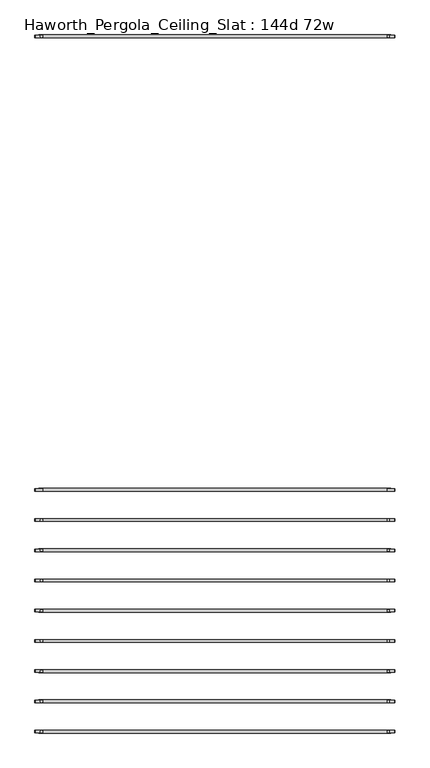
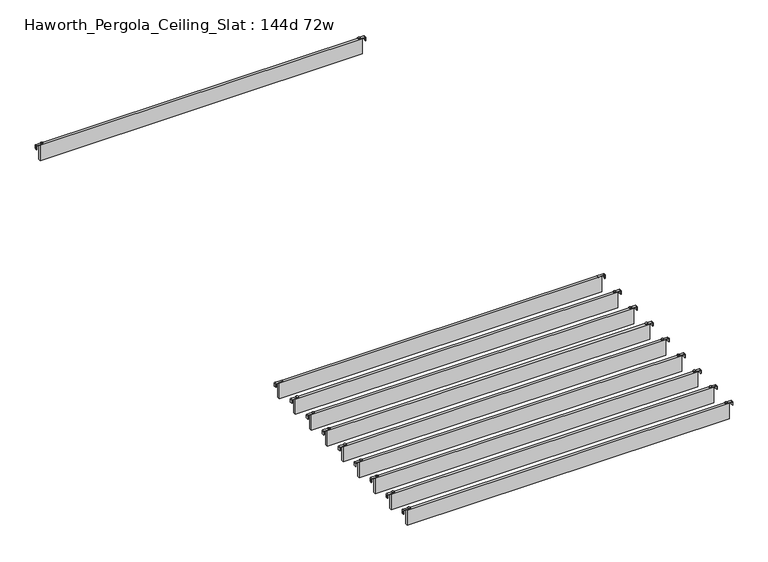
"""IFC4 building model written with IfcOpenShell, lengths in millimetres: furniture geometry, Haworth_Pergola_Ceiling_Slat : 144d 72w."""

from ifc_helpers import new_model, si_unit, point, frame, frame_2d, origin, place, context, project, spatial, polyline, circle_curve, trimmed, segment, composite_curve, outline, extrude, source, transform, mapped, element, save


def haworth_pergola_ceiling_slat_144d_72w_22c94c1e(model_context):
    return source(origin(), model_context, "Body", "SweptSolid", [
        extrude(outline(composite_curve([segment(polyline([(2419.2231711, 972.96), (2437.2499992, 972.96)]), True, "CONTINUOUS"), segment(trimmed(circle_curve(frame_2d((2437.2499992, 969.277)), 3.683), [point((2437.2499992, 972.96))], [point((2440.9329992, 969.277))], False, "CARTESIAN"), True, "CONTINUOUS"), segment(polyline([(2440.9329992, 969.277), (2440.9329992, 932.3), (2438.2729997, 932.3), (2438.2729997, 969.2905568)]), True, "CONTINUOUS"), segment(trimmed(circle_curve(frame_2d((2437.2635571, 969.2905568)), 1.0094425), [point((2438.2729997, 969.2905568))], [point((2437.2635571, 970.2999993))], True, "CARTESIAN"), True, "CONTINUOUS"), segment(polyline([(2437.2635571, 970.2999993), (2419.2231711, 970.2999993), (2419.2231711, 972.96)]), True, "CONTINUOUS")], self_intersect=False)), frame((0.0, -1894.0608699, 0.0), z_axis=(0.0, 1.0, 0.0), x_axis=(0.0, 0.0, 1.0)), (0.0, 0.0, 1.0), 13.0),
        extrude(outline(composite_curve([segment(polyline([(2419.2231711, -896.76), (2419.2231711, -894.0999993), (2437.2635571, -894.0999993)]), True, "CONTINUOUS"), segment(trimmed(circle_curve(frame_2d((2437.2635571, -893.0905568)), 1.0094425), [point((2437.2635571, -894.0999993))], [point((2438.2729997, -893.0905568))], True, "CARTESIAN"), True, "CONTINUOUS"), segment(polyline([(2438.2729997, -893.0905568), (2438.2729997, -856.1), (2440.9329992, -856.1), (2440.9329992, -893.077)]), True, "CONTINUOUS"), segment(trimmed(circle_curve(frame_2d((2437.2499992, -893.077)), 3.683), [point((2440.9329992, -893.077))], [point((2437.2499992, -896.76))], False, "CARTESIAN"), True, "CONTINUOUS"), segment(polyline([(2437.2499992, -896.76), (2419.2231711, -896.76)]), True, "CONTINUOUS")], self_intersect=False)), frame((0.0, -1894.0608699, 0.0), z_axis=(0.0, 1.0, 0.0), x_axis=(0.0, 0.0, 1.0)), (0.0, 0.0, 1.0), 13.0),
        extrude(outline(polyline([(-876.3, -1895.0608696), (-876.3, -1880.0748696), (952.5, -1880.0748696), (952.5, -1895.0608696), (-876.3, -1895.0608696)])), frame((0.0, 0.0, 2346.198), z_axis=(0.0, 0.0, 1.0), x_axis=(1.0, 0.0, 0.0)), (0.0, 0.0, 1.0), 92.202),
        extrude(outline(composite_curve([segment(trimmed(circle_curve(frame_2d((938.8, -2044.3852609)), 5.9838099), [point((932.8161901, -2044.3852609))], [point((944.7838099, -2044.3852609))], False, "CARTESIAN"), True, "CONTINUOUS"), segment(trimmed(circle_curve(frame_2d((938.8, -2044.3852609)), 5.9838099), [point((944.7838099, -2044.3852609))], [point((932.8161901, -2044.3852609))], False, "CARTESIAN"), True, "CONTINUOUS")], self_intersect=False)), frame((0.0, 0.0, 2440.9329992), z_axis=(0.0, 0.0, 1.0), x_axis=(1.0, 0.0, 0.0)), (0.0, 0.0, 1.0), 3.4400008),
        extrude(outline(composite_curve([segment(trimmed(circle_curve(frame_2d((-862.6, -2044.3852609)), 5.9838099), [point((-856.6161901, -2044.3852609))], [point((-868.5838099, -2044.3852609))], False, "CARTESIAN"), True, "CONTINUOUS"), segment(trimmed(circle_curve(frame_2d((-862.6, -2044.3852609)), 5.9838099), [point((-868.5838099, -2044.3852609))], [point((-856.6161901, -2044.3852609))], False, "CARTESIAN"), True, "CONTINUOUS")], self_intersect=False)), frame((0.0, 0.0, 2440.9329992), z_axis=(0.0, 0.0, 1.0), x_axis=(1.0, 0.0, 0.0)), (0.0, 0.0, 1.0), 3.4400008),
        extrude(outline(composite_curve([segment(polyline([(2419.2231711, 972.96), (2437.2499992, 972.96)]), True, "CONTINUOUS"), segment(trimmed(circle_curve(frame_2d((2437.2499992, 969.277)), 3.683), [point((2437.2499992, 972.96))], [point((2440.9329992, 969.277))], False, "CARTESIAN"), True, "CONTINUOUS"), segment(polyline([(2440.9329992, 969.277), (2440.9329992, 932.3), (2438.2729997, 932.3), (2438.2729997, 969.2905568)]), True, "CONTINUOUS"), segment(trimmed(circle_curve(frame_2d((2437.2635571, 969.2905568)), 1.0094425), [point((2438.2729997, 969.2905568))], [point((2437.2635571, 970.2999993))], True, "CARTESIAN"), True, "CONTINUOUS"), segment(polyline([(2437.2635571, 970.2999993), (2419.2231711, 970.2999993), (2419.2231711, 972.96)]), True, "CONTINUOUS")], self_intersect=False)), frame((0.0, -2050.8782612, 0.0), z_axis=(0.0, 1.0, 0.0), x_axis=(0.0, 0.0, 1.0)), (0.0, 0.0, 1.0), 13.0),
        extrude(outline(composite_curve([segment(polyline([(2419.2231711, -896.76), (2419.2231711, -894.0999993), (2437.2635571, -894.0999993)]), True, "CONTINUOUS"), segment(trimmed(circle_curve(frame_2d((2437.2635571, -893.0905568)), 1.0094425), [point((2437.2635571, -894.0999993))], [point((2438.2729997, -893.0905568))], True, "CARTESIAN"), True, "CONTINUOUS"), segment(polyline([(2438.2729997, -893.0905568), (2438.2729997, -856.1), (2440.9329992, -856.1), (2440.9329992, -893.077)]), True, "CONTINUOUS"), segment(trimmed(circle_curve(frame_2d((2437.2499992, -893.077)), 3.683), [point((2440.9329992, -893.077))], [point((2437.2499992, -896.76))], False, "CARTESIAN"), True, "CONTINUOUS"), segment(polyline([(2437.2499992, -896.76), (2419.2231711, -896.76)]), True, "CONTINUOUS")], self_intersect=False)), frame((0.0, -2050.8782612, 0.0), z_axis=(0.0, 1.0, 0.0), x_axis=(0.0, 0.0, 1.0)), (0.0, 0.0, 1.0), 13.0),
        extrude(outline(polyline([(-876.3, -2051.8782609), (-876.3, -2036.8922609), (952.5, -2036.8922609), (952.5, -2051.8782609), (-876.3, -2051.8782609)])), frame((0.0, 0.0, 2346.198), z_axis=(0.0, 0.0, 1.0), x_axis=(1.0, 0.0, 0.0)), (0.0, 0.0, 1.0), 92.202),
        extrude(outline(composite_curve([segment(trimmed(circle_curve(frame_2d((938.8, -2201.2026522)), 5.9838099), [point((932.8161901, -2201.2026522))], [point((944.7838099, -2201.2026522))], False, "CARTESIAN"), True, "CONTINUOUS"), segment(trimmed(circle_curve(frame_2d((938.8, -2201.2026522)), 5.9838099), [point((944.7838099, -2201.2026522))], [point((932.8161901, -2201.2026522))], False, "CARTESIAN"), True, "CONTINUOUS")], self_intersect=False)), frame((0.0, 0.0, 2440.9329992), z_axis=(0.0, 0.0, 1.0), x_axis=(1.0, 0.0, 0.0)), (0.0, 0.0, 1.0), 3.4400008),
        extrude(outline(composite_curve([segment(trimmed(circle_curve(frame_2d((-862.6, -2201.2026522)), 5.9838099), [point((-856.6161901, -2201.2026522))], [point((-868.5838099, -2201.2026522))], False, "CARTESIAN"), True, "CONTINUOUS"), segment(trimmed(circle_curve(frame_2d((-862.6, -2201.2026522)), 5.9838099), [point((-868.5838099, -2201.2026522))], [point((-856.6161901, -2201.2026522))], False, "CARTESIAN"), True, "CONTINUOUS")], self_intersect=False)), frame((0.0, 0.0, 2440.9329992), z_axis=(0.0, 0.0, 1.0), x_axis=(1.0, 0.0, 0.0)), (0.0, 0.0, 1.0), 3.4400008),
        extrude(outline(composite_curve([segment(polyline([(2419.2231711, 972.96), (2437.2499992, 972.96)]), True, "CONTINUOUS"), segment(trimmed(circle_curve(frame_2d((2437.2499992, 969.277)), 3.683), [point((2437.2499992, 972.96))], [point((2440.9329992, 969.277))], False, "CARTESIAN"), True, "CONTINUOUS"), segment(polyline([(2440.9329992, 969.277), (2440.9329992, 932.3), (2438.2729997, 932.3), (2438.2729997, 969.2905568)]), True, "CONTINUOUS"), segment(trimmed(circle_curve(frame_2d((2437.2635571, 969.2905568)), 1.0094425), [point((2438.2729997, 969.2905568))], [point((2437.2635571, 970.2999993))], True, "CARTESIAN"), True, "CONTINUOUS"), segment(polyline([(2437.2635571, 970.2999993), (2419.2231711, 970.2999993), (2419.2231711, 972.96)]), True, "CONTINUOUS")], self_intersect=False)), frame((0.0, -2207.6956525, 0.0), z_axis=(0.0, 1.0, 0.0), x_axis=(0.0, 0.0, 1.0)), (0.0, 0.0, 1.0), 13.0),
        extrude(outline(composite_curve([segment(polyline([(2419.2231711, -896.76), (2419.2231711, -894.0999993), (2437.2635571, -894.0999993)]), True, "CONTINUOUS"), segment(trimmed(circle_curve(frame_2d((2437.2635571, -893.0905568)), 1.0094425), [point((2437.2635571, -894.0999993))], [point((2438.2729997, -893.0905568))], True, "CARTESIAN"), True, "CONTINUOUS"), segment(polyline([(2438.2729997, -893.0905568), (2438.2729997, -856.1), (2440.9329992, -856.1), (2440.9329992, -893.077)]), True, "CONTINUOUS"), segment(trimmed(circle_curve(frame_2d((2437.2499992, -893.077)), 3.683), [point((2440.9329992, -893.077))], [point((2437.2499992, -896.76))], False, "CARTESIAN"), True, "CONTINUOUS"), segment(polyline([(2437.2499992, -896.76), (2419.2231711, -896.76)]), True, "CONTINUOUS")], self_intersect=False)), frame((0.0, -2207.6956525, 0.0), z_axis=(0.0, 1.0, 0.0), x_axis=(0.0, 0.0, 1.0)), (0.0, 0.0, 1.0), 13.0),
        extrude(outline(polyline([(-876.3, -2208.6956522), (-876.3, -2193.7096522), (952.5, -2193.7096522), (952.5, -2208.6956522), (-876.3, -2208.6956522)])), frame((0.0, 0.0, 2346.198), z_axis=(0.0, 0.0, 1.0), x_axis=(1.0, 0.0, 0.0)), (0.0, 0.0, 1.0), 92.202),
        extrude(outline(composite_curve([segment(trimmed(circle_curve(frame_2d((938.8, -2358.0200435)), 5.9838099), [point((932.8161901, -2358.0200435))], [point((944.7838099, -2358.0200435))], False, "CARTESIAN"), True, "CONTINUOUS"), segment(trimmed(circle_curve(frame_2d((938.8, -2358.0200435)), 5.9838099), [point((944.7838099, -2358.0200435))], [point((932.8161901, -2358.0200435))], False, "CARTESIAN"), True, "CONTINUOUS")], self_intersect=False)), frame((0.0, 0.0, 2440.9329992), z_axis=(0.0, 0.0, 1.0), x_axis=(1.0, 0.0, 0.0)), (0.0, 0.0, 1.0), 3.4400008),
        extrude(outline(composite_curve([segment(trimmed(circle_curve(frame_2d((-862.6, -2358.0200435)), 5.9838099), [point((-856.6161901, -2358.0200435))], [point((-868.5838099, -2358.0200435))], False, "CARTESIAN"), True, "CONTINUOUS"), segment(trimmed(circle_curve(frame_2d((-862.6, -2358.0200435)), 5.9838099), [point((-868.5838099, -2358.0200435))], [point((-856.6161901, -2358.0200435))], False, "CARTESIAN"), True, "CONTINUOUS")], self_intersect=False)), frame((0.0, 0.0, 2440.9329992), z_axis=(0.0, 0.0, 1.0), x_axis=(1.0, 0.0, 0.0)), (0.0, 0.0, 1.0), 3.4400008),
        extrude(outline(composite_curve([segment(polyline([(2419.2231711, 972.96), (2437.2499992, 972.96)]), True, "CONTINUOUS"), segment(trimmed(circle_curve(frame_2d((2437.2499992, 969.277)), 3.683), [point((2437.2499992, 972.96))], [point((2440.9329992, 969.277))], False, "CARTESIAN"), True, "CONTINUOUS"), segment(polyline([(2440.9329992, 969.277), (2440.9329992, 932.3), (2438.2729997, 932.3), (2438.2729997, 969.2905568)]), True, "CONTINUOUS"), segment(trimmed(circle_curve(frame_2d((2437.2635571, 969.2905568)), 1.0094425), [point((2438.2729997, 969.2905568))], [point((2437.2635571, 970.2999993))], True, "CARTESIAN"), True, "CONTINUOUS"), segment(polyline([(2437.2635571, 970.2999993), (2419.2231711, 970.2999993), (2419.2231711, 972.96)]), True, "CONTINUOUS")], self_intersect=False)), frame((0.0, -2364.5130438, 0.0), z_axis=(0.0, 1.0, 0.0), x_axis=(0.0, 0.0, 1.0)), (0.0, 0.0, 1.0), 13.0),
        extrude(outline(composite_curve([segment(polyline([(2419.2231711, -896.76), (2419.2231711, -894.0999993), (2437.2635571, -894.0999993)]), True, "CONTINUOUS"), segment(trimmed(circle_curve(frame_2d((2437.2635571, -893.0905568)), 1.0094425), [point((2437.2635571, -894.0999993))], [point((2438.2729997, -893.0905568))], True, "CARTESIAN"), True, "CONTINUOUS"), segment(polyline([(2438.2729997, -893.0905568), (2438.2729997, -856.1), (2440.9329992, -856.1), (2440.9329992, -893.077)]), True, "CONTINUOUS"), segment(trimmed(circle_curve(frame_2d((2437.2499992, -893.077)), 3.683), [point((2440.9329992, -893.077))], [point((2437.2499992, -896.76))], False, "CARTESIAN"), True, "CONTINUOUS"), segment(polyline([(2437.2499992, -896.76), (2419.2231711, -896.76)]), True, "CONTINUOUS")], self_intersect=False)), frame((0.0, -2364.5130438, 0.0), z_axis=(0.0, 1.0, 0.0), x_axis=(0.0, 0.0, 1.0)), (0.0, 0.0, 1.0), 13.0),
        extrude(outline(polyline([(-876.3, -2365.5130435), (-876.3, -2350.5270435), (952.5, -2350.5270435), (952.5, -2365.5130435), (-876.3, -2365.5130435)])), frame((0.0, 0.0, 2346.198), z_axis=(0.0, 0.0, 1.0), x_axis=(1.0, 0.0, 0.0)), (0.0, 0.0, 1.0), 92.202),
        extrude(outline(composite_curve([segment(trimmed(circle_curve(frame_2d((938.8, -2514.8374348)), 5.9838099), [point((932.8161901, -2514.8374348))], [point((944.7838099, -2514.8374348))], False, "CARTESIAN"), True, "CONTINUOUS"), segment(trimmed(circle_curve(frame_2d((938.8, -2514.8374348)), 5.9838099), [point((944.7838099, -2514.8374348))], [point((932.8161901, -2514.8374348))], False, "CARTESIAN"), True, "CONTINUOUS")], self_intersect=False)), frame((0.0, 0.0, 2440.9329992), z_axis=(0.0, 0.0, 1.0), x_axis=(1.0, 0.0, 0.0)), (0.0, 0.0, 1.0), 3.4400008),
        extrude(outline(composite_curve([segment(trimmed(circle_curve(frame_2d((-862.6, -2514.8374348)), 5.9838099), [point((-856.6161901, -2514.8374348))], [point((-868.5838099, -2514.8374348))], False, "CARTESIAN"), True, "CONTINUOUS"), segment(trimmed(circle_curve(frame_2d((-862.6, -2514.8374348)), 5.9838099), [point((-868.5838099, -2514.8374348))], [point((-856.6161901, -2514.8374348))], False, "CARTESIAN"), True, "CONTINUOUS")], self_intersect=False)), frame((0.0, 0.0, 2440.9329992), z_axis=(0.0, 0.0, 1.0), x_axis=(1.0, 0.0, 0.0)), (0.0, 0.0, 1.0), 3.4400008),
        extrude(outline(composite_curve([segment(polyline([(2419.2231711, 972.96), (2437.2499992, 972.96)]), True, "CONTINUOUS"), segment(trimmed(circle_curve(frame_2d((2437.2499992, 969.277)), 3.683), [point((2437.2499992, 972.96))], [point((2440.9329992, 969.277))], False, "CARTESIAN"), True, "CONTINUOUS"), segment(polyline([(2440.9329992, 969.277), (2440.9329992, 932.3), (2438.2729997, 932.3), (2438.2729997, 969.2905568)]), True, "CONTINUOUS"), segment(trimmed(circle_curve(frame_2d((2437.2635571, 969.2905568)), 1.0094425), [point((2438.2729997, 969.2905568))], [point((2437.2635571, 970.2999993))], True, "CARTESIAN"), True, "CONTINUOUS"), segment(polyline([(2437.2635571, 970.2999993), (2419.2231711, 970.2999993), (2419.2231711, 972.96)]), True, "CONTINUOUS")], self_intersect=False)), frame((0.0, -2521.3304351, 0.0), z_axis=(0.0, 1.0, 0.0), x_axis=(0.0, 0.0, 1.0)), (0.0, 0.0, 1.0), 13.0),
        extrude(outline(composite_curve([segment(polyline([(2419.2231711, -896.76), (2419.2231711, -894.0999993), (2437.2635571, -894.0999993)]), True, "CONTINUOUS"), segment(trimmed(circle_curve(frame_2d((2437.2635571, -893.0905568)), 1.0094425), [point((2437.2635571, -894.0999993))], [point((2438.2729997, -893.0905568))], True, "CARTESIAN"), True, "CONTINUOUS"), segment(polyline([(2438.2729997, -893.0905568), (2438.2729997, -856.1), (2440.9329992, -856.1), (2440.9329992, -893.077)]), True, "CONTINUOUS"), segment(trimmed(circle_curve(frame_2d((2437.2499992, -893.077)), 3.683), [point((2440.9329992, -893.077))], [point((2437.2499992, -896.76))], False, "CARTESIAN"), True, "CONTINUOUS"), segment(polyline([(2437.2499992, -896.76), (2419.2231711, -896.76)]), True, "CONTINUOUS")], self_intersect=False)), frame((0.0, -2521.3304351, 0.0), z_axis=(0.0, 1.0, 0.0), x_axis=(0.0, 0.0, 1.0)), (0.0, 0.0, 1.0), 13.0),
        extrude(outline(polyline([(-876.3, -2522.3304348), (-876.3, -2507.3444348), (952.5, -2507.3444348), (952.5, -2522.3304348), (-876.3, -2522.3304348)])), frame((0.0, 0.0, 2346.198), z_axis=(0.0, 0.0, 1.0), x_axis=(1.0, 0.0, 0.0)), (0.0, 0.0, 1.0), 92.202),
        extrude(outline(composite_curve([segment(trimmed(circle_curve(frame_2d((938.8, -2671.6548261)), 5.9838099), [point((932.8161901, -2671.6548261))], [point((944.7838099, -2671.6548261))], False, "CARTESIAN"), True, "CONTINUOUS"), segment(trimmed(circle_curve(frame_2d((938.8, -2671.6548261)), 5.9838099), [point((944.7838099, -2671.6548261))], [point((932.8161901, -2671.6548261))], False, "CARTESIAN"), True, "CONTINUOUS")], self_intersect=False)), frame((0.0, 0.0, 2440.9329992), z_axis=(0.0, 0.0, 1.0), x_axis=(1.0, 0.0, 0.0)), (0.0, 0.0, 1.0), 3.4400008),
        extrude(outline(composite_curve([segment(trimmed(circle_curve(frame_2d((-862.6, -2671.6548261)), 5.9838099), [point((-856.6161901, -2671.6548261))], [point((-868.5838099, -2671.6548261))], False, "CARTESIAN"), True, "CONTINUOUS"), segment(trimmed(circle_curve(frame_2d((-862.6, -2671.6548261)), 5.9838099), [point((-868.5838099, -2671.6548261))], [point((-856.6161901, -2671.6548261))], False, "CARTESIAN"), True, "CONTINUOUS")], self_intersect=False)), frame((0.0, 0.0, 2440.9329992), z_axis=(0.0, 0.0, 1.0), x_axis=(1.0, 0.0, 0.0)), (0.0, 0.0, 1.0), 3.4400008),
        extrude(outline(composite_curve([segment(polyline([(2419.2231711, 972.96), (2437.2499992, 972.96)]), True, "CONTINUOUS"), segment(trimmed(circle_curve(frame_2d((2437.2499992, 969.277)), 3.683), [point((2437.2499992, 972.96))], [point((2440.9329992, 969.277))], False, "CARTESIAN"), True, "CONTINUOUS"), segment(polyline([(2440.9329992, 969.277), (2440.9329992, 932.3), (2438.2729997, 932.3), (2438.2729997, 969.2905568)]), True, "CONTINUOUS"), segment(trimmed(circle_curve(frame_2d((2437.2635571, 969.2905568)), 1.0094425), [point((2438.2729997, 969.2905568))], [point((2437.2635571, 970.2999993))], True, "CARTESIAN"), True, "CONTINUOUS"), segment(polyline([(2437.2635571, 970.2999993), (2419.2231711, 970.2999993), (2419.2231711, 972.96)]), True, "CONTINUOUS")], self_intersect=False)), frame((0.0, -2678.1478264, 0.0), z_axis=(0.0, 1.0, 0.0), x_axis=(0.0, 0.0, 1.0)), (0.0, 0.0, 1.0), 13.0),
        extrude(outline(composite_curve([segment(polyline([(2419.2231711, -896.76), (2419.2231711, -894.0999993), (2437.2635571, -894.0999993)]), True, "CONTINUOUS"), segment(trimmed(circle_curve(frame_2d((2437.2635571, -893.0905568)), 1.0094425), [point((2437.2635571, -894.0999993))], [point((2438.2729997, -893.0905568))], True, "CARTESIAN"), True, "CONTINUOUS"), segment(polyline([(2438.2729997, -893.0905568), (2438.2729997, -856.1), (2440.9329992, -856.1), (2440.9329992, -893.077)]), True, "CONTINUOUS"), segment(trimmed(circle_curve(frame_2d((2437.2499992, -893.077)), 3.683), [point((2440.9329992, -893.077))], [point((2437.2499992, -896.76))], False, "CARTESIAN"), True, "CONTINUOUS"), segment(polyline([(2437.2499992, -896.76), (2419.2231711, -896.76)]), True, "CONTINUOUS")], self_intersect=False)), frame((0.0, -2678.1478264, 0.0), z_axis=(0.0, 1.0, 0.0), x_axis=(0.0, 0.0, 1.0)), (0.0, 0.0, 1.0), 13.0),
        extrude(outline(polyline([(-876.3, -2679.1478261), (-876.3, -2664.1618261), (952.5, -2664.1618261), (952.5, -2679.1478261), (-876.3, -2679.1478261)])), frame((0.0, 0.0, 2346.198), z_axis=(0.0, 0.0, 1.0), x_axis=(1.0, 0.0, 0.0)), (0.0, 0.0, 1.0), 92.202),
        extrude(outline(composite_curve([segment(trimmed(circle_curve(frame_2d((938.8, -2828.4722174)), 5.9838099), [point((932.8161901, -2828.4722174))], [point((944.7838099, -2828.4722174))], False, "CARTESIAN"), True, "CONTINUOUS"), segment(trimmed(circle_curve(frame_2d((938.8, -2828.4722174)), 5.9838099), [point((944.7838099, -2828.4722174))], [point((932.8161901, -2828.4722174))], False, "CARTESIAN"), True, "CONTINUOUS")], self_intersect=False)), frame((0.0, 0.0, 2440.9329992), z_axis=(0.0, 0.0, 1.0), x_axis=(1.0, 0.0, 0.0)), (0.0, 0.0, 1.0), 3.4400008),
        extrude(outline(composite_curve([segment(trimmed(circle_curve(frame_2d((-862.6, -2828.4722174)), 5.9838099), [point((-856.6161901, -2828.4722174))], [point((-868.5838099, -2828.4722174))], False, "CARTESIAN"), True, "CONTINUOUS"), segment(trimmed(circle_curve(frame_2d((-862.6, -2828.4722174)), 5.9838099), [point((-868.5838099, -2828.4722174))], [point((-856.6161901, -2828.4722174))], False, "CARTESIAN"), True, "CONTINUOUS")], self_intersect=False)), frame((0.0, 0.0, 2440.9329992), z_axis=(0.0, 0.0, 1.0), x_axis=(1.0, 0.0, 0.0)), (0.0, 0.0, 1.0), 3.4400008),
        extrude(outline(composite_curve([segment(polyline([(2419.2231711, 972.96), (2437.2499992, 972.96)]), True, "CONTINUOUS"), segment(trimmed(circle_curve(frame_2d((2437.2499992, 969.277)), 3.683), [point((2437.2499992, 972.96))], [point((2440.9329992, 969.277))], False, "CARTESIAN"), True, "CONTINUOUS"), segment(polyline([(2440.9329992, 969.277), (2440.9329992, 932.3), (2438.2729997, 932.3), (2438.2729997, 969.2905568)]), True, "CONTINUOUS"), segment(trimmed(circle_curve(frame_2d((2437.2635571, 969.2905568)), 1.0094425), [point((2438.2729997, 969.2905568))], [point((2437.2635571, 970.2999993))], True, "CARTESIAN"), True, "CONTINUOUS"), segment(polyline([(2437.2635571, 970.2999993), (2419.2231711, 970.2999993), (2419.2231711, 972.96)]), True, "CONTINUOUS")], self_intersect=False)), frame((0.0, -2834.9652177, 0.0), z_axis=(0.0, 1.0, 0.0), x_axis=(0.0, 0.0, 1.0)), (0.0, 0.0, 1.0), 13.0),
        extrude(outline(composite_curve([segment(polyline([(2419.2231711, -896.76), (2419.2231711, -894.0999993), (2437.2635571, -894.0999993)]), True, "CONTINUOUS"), segment(trimmed(circle_curve(frame_2d((2437.2635571, -893.0905568)), 1.0094425), [point((2437.2635571, -894.0999993))], [point((2438.2729997, -893.0905568))], True, "CARTESIAN"), True, "CONTINUOUS"), segment(polyline([(2438.2729997, -893.0905568), (2438.2729997, -856.1), (2440.9329992, -856.1), (2440.9329992, -893.077)]), True, "CONTINUOUS"), segment(trimmed(circle_curve(frame_2d((2437.2499992, -893.077)), 3.683), [point((2440.9329992, -893.077))], [point((2437.2499992, -896.76))], False, "CARTESIAN"), True, "CONTINUOUS"), segment(polyline([(2437.2499992, -896.76), (2419.2231711, -896.76)]), True, "CONTINUOUS")], self_intersect=False)), frame((0.0, -2834.9652177, 0.0), z_axis=(0.0, 1.0, 0.0), x_axis=(0.0, 0.0, 1.0)), (0.0, 0.0, 1.0), 13.0),
        extrude(outline(polyline([(-876.3, -2835.9652174), (-876.3, -2820.9792174), (952.5, -2820.9792174), (952.5, -2835.9652174), (-876.3, -2835.9652174)])), frame((0.0, 0.0, 2346.198), z_axis=(0.0, 0.0, 1.0), x_axis=(1.0, 0.0, 0.0)), (0.0, 0.0, 1.0), 92.202),
        extrude(outline(composite_curve([segment(trimmed(circle_curve(frame_2d((938.8, -2985.2896087)), 5.9838099), [point((932.8161901, -2985.2896087))], [point((944.7838099, -2985.2896087))], False, "CARTESIAN"), True, "CONTINUOUS"), segment(trimmed(circle_curve(frame_2d((938.8, -2985.2896087)), 5.9838099), [point((944.7838099, -2985.2896087))], [point((932.8161901, -2985.2896087))], False, "CARTESIAN"), True, "CONTINUOUS")], self_intersect=False)), frame((0.0, 0.0, 2440.9329992), z_axis=(0.0, 0.0, 1.0), x_axis=(1.0, 0.0, 0.0)), (0.0, 0.0, 1.0), 3.4400008),
        extrude(outline(composite_curve([segment(trimmed(circle_curve(frame_2d((-862.6, -2985.2896087)), 5.9838099), [point((-856.6161901, -2985.2896087))], [point((-868.5838099, -2985.2896087))], False, "CARTESIAN"), True, "CONTINUOUS"), segment(trimmed(circle_curve(frame_2d((-862.6, -2985.2896087)), 5.9838099), [point((-868.5838099, -2985.2896087))], [point((-856.6161901, -2985.2896087))], False, "CARTESIAN"), True, "CONTINUOUS")], self_intersect=False)), frame((0.0, 0.0, 2440.9329992), z_axis=(0.0, 0.0, 1.0), x_axis=(1.0, 0.0, 0.0)), (0.0, 0.0, 1.0), 3.4400008),
        extrude(outline(composite_curve([segment(polyline([(2419.2231711, 972.96), (2437.2499992, 972.96)]), True, "CONTINUOUS"), segment(trimmed(circle_curve(frame_2d((2437.2499992, 969.277)), 3.683), [point((2437.2499992, 972.96))], [point((2440.9329992, 969.277))], False, "CARTESIAN"), True, "CONTINUOUS"), segment(polyline([(2440.9329992, 969.277), (2440.9329992, 932.3), (2438.2729997, 932.3), (2438.2729997, 969.2905568)]), True, "CONTINUOUS"), segment(trimmed(circle_curve(frame_2d((2437.2635571, 969.2905568)), 1.0094425), [point((2438.2729997, 969.2905568))], [point((2437.2635571, 970.2999993))], True, "CARTESIAN"), True, "CONTINUOUS"), segment(polyline([(2437.2635571, 970.2999993), (2419.2231711, 970.2999993), (2419.2231711, 972.96)]), True, "CONTINUOUS")], self_intersect=False)), frame((0.0, -2991.782609, 0.0), z_axis=(0.0, 1.0, 0.0), x_axis=(0.0, 0.0, 1.0)), (0.0, 0.0, 1.0), 13.0),
        extrude(outline(composite_curve([segment(polyline([(2419.2231711, -896.76), (2419.2231711, -894.0999993), (2437.2635571, -894.0999993)]), True, "CONTINUOUS"), segment(trimmed(circle_curve(frame_2d((2437.2635571, -893.0905568)), 1.0094425), [point((2437.2635571, -894.0999993))], [point((2438.2729997, -893.0905568))], True, "CARTESIAN"), True, "CONTINUOUS"), segment(polyline([(2438.2729997, -893.0905568), (2438.2729997, -856.1), (2440.9329992, -856.1), (2440.9329992, -893.077)]), True, "CONTINUOUS"), segment(trimmed(circle_curve(frame_2d((2437.2499992, -893.077)), 3.683), [point((2440.9329992, -893.077))], [point((2437.2499992, -896.76))], False, "CARTESIAN"), True, "CONTINUOUS"), segment(polyline([(2437.2499992, -896.76), (2419.2231711, -896.76)]), True, "CONTINUOUS")], self_intersect=False)), frame((0.0, -2991.782609, 0.0), z_axis=(0.0, 1.0, 0.0), x_axis=(0.0, 0.0, 1.0)), (0.0, 0.0, 1.0), 13.0),
        extrude(outline(polyline([(-876.3, -2992.7826087), (-876.3, -2977.7966087), (952.5, -2977.7966087), (952.5, -2992.7826087), (-876.3, -2992.7826087)])), frame((0.0, 0.0, 2346.198), z_axis=(0.0, 0.0, 1.0), x_axis=(1.0, 0.0, 0.0)), (0.0, 0.0, 1.0), 92.202),
        extrude(outline(composite_curve([segment(trimmed(circle_curve(frame_2d((938.8, 464.693)), 5.9838099), [point((932.8161901, 464.693))], [point((944.7838099, 464.693))], False, "CARTESIAN"), True, "CONTINUOUS"), segment(trimmed(circle_curve(frame_2d((938.8, 464.693)), 5.9838099), [point((944.7838099, 464.693))], [point((932.8161901, 464.693))], False, "CARTESIAN"), True, "CONTINUOUS")], self_intersect=False)), frame((0.0, 0.0, 2440.9329992), z_axis=(0.0, 0.0, 1.0), x_axis=(1.0, 0.0, 0.0)), (0.0, 0.0, 1.0), 3.4400008),
        extrude(outline(composite_curve([segment(trimmed(circle_curve(frame_2d((-862.6, 464.693)), 5.9838099), [point((-856.6161901, 464.693))], [point((-868.5838099, 464.693))], False, "CARTESIAN"), True, "CONTINUOUS"), segment(trimmed(circle_curve(frame_2d((-862.6, 464.693)), 5.9838099), [point((-868.5838099, 464.693))], [point((-856.6161901, 464.693))], False, "CARTESIAN"), True, "CONTINUOUS")], self_intersect=False)), frame((0.0, 0.0, 2440.9329992), z_axis=(0.0, 0.0, 1.0), x_axis=(1.0, 0.0, 0.0)), (0.0, 0.0, 1.0), 3.4400008),
        extrude(outline(composite_curve([segment(polyline([(2419.2231711, 972.96), (2437.2499992, 972.96)]), True, "CONTINUOUS"), segment(trimmed(circle_curve(frame_2d((2437.2499992, 969.277)), 3.683), [point((2437.2499992, 972.96))], [point((2440.9329992, 969.277))], False, "CARTESIAN"), True, "CONTINUOUS"), segment(polyline([(2440.9329992, 969.277), (2440.9329992, 932.3), (2438.2729997, 932.3), (2438.2729997, 969.2905568)]), True, "CONTINUOUS"), segment(trimmed(circle_curve(frame_2d((2437.2635571, 969.2905568)), 1.0094425), [point((2438.2729997, 969.2905568))], [point((2437.2635571, 970.2999993))], True, "CARTESIAN"), True, "CONTINUOUS"), segment(polyline([(2437.2635571, 970.2999993), (2419.2231711, 970.2999993), (2419.2231711, 972.96)]), True, "CONTINUOUS")], self_intersect=False)), frame((0.0, 458.1999997, 0.0), z_axis=(0.0, 1.0, 0.0), x_axis=(0.0, 0.0, 1.0)), (0.0, 0.0, 1.0), 13.0),
        extrude(outline(composite_curve([segment(polyline([(2419.2231711, -896.76), (2419.2231711, -894.0999993), (2437.2635571, -894.0999993)]), True, "CONTINUOUS"), segment(trimmed(circle_curve(frame_2d((2437.2635571, -893.0905568)), 1.0094425), [point((2437.2635571, -894.0999993))], [point((2438.2729997, -893.0905568))], True, "CARTESIAN"), True, "CONTINUOUS"), segment(polyline([(2438.2729997, -893.0905568), (2438.2729997, -856.1), (2440.9329992, -856.1), (2440.9329992, -893.077)]), True, "CONTINUOUS"), segment(trimmed(circle_curve(frame_2d((2437.2499992, -893.077)), 3.683), [point((2440.9329992, -893.077))], [point((2437.2499992, -896.76))], False, "CARTESIAN"), True, "CONTINUOUS"), segment(polyline([(2437.2499992, -896.76), (2419.2231711, -896.76)]), True, "CONTINUOUS")], self_intersect=False)), frame((0.0, 458.1999997, 0.0), z_axis=(0.0, 1.0, 0.0), x_axis=(0.0, 0.0, 1.0)), (0.0, 0.0, 1.0), 13.0),
        extrude(outline(polyline([(-876.3, 457.2), (-876.3, 472.186), (952.5, 472.186), (952.5, 457.2), (-876.3, 457.2)])), frame((0.0, 0.0, 2346.198), z_axis=(0.0, 0.0, 1.0), x_axis=(1.0, 0.0, 0.0)), (0.0, 0.0, 1.0), 92.202),
        extrude(outline(composite_curve([segment(trimmed(circle_curve(frame_2d((938.8, -3142.107)), 5.9838099), [point((932.8161901, -3142.107))], [point((944.7838099, -3142.107))], False, "CARTESIAN"), True, "CONTINUOUS"), segment(trimmed(circle_curve(frame_2d((938.8, -3142.107)), 5.9838099), [point((944.7838099, -3142.107))], [point((932.8161901, -3142.107))], False, "CARTESIAN"), True, "CONTINUOUS")], self_intersect=False)), frame((0.0, 0.0, 2440.9329992), z_axis=(0.0, 0.0, 1.0), x_axis=(1.0, 0.0, 0.0)), (0.0, 0.0, 1.0), 3.4400008),
        extrude(outline(composite_curve([segment(trimmed(circle_curve(frame_2d((-862.6, -3142.107)), 5.9838099), [point((-856.6161901, -3142.107))], [point((-868.5838099, -3142.107))], False, "CARTESIAN"), True, "CONTINUOUS"), segment(trimmed(circle_curve(frame_2d((-862.6, -3142.107)), 5.9838099), [point((-868.5838099, -3142.107))], [point((-856.6161901, -3142.107))], False, "CARTESIAN"), True, "CONTINUOUS")], self_intersect=False)), frame((0.0, 0.0, 2440.9329992), z_axis=(0.0, 0.0, 1.0), x_axis=(1.0, 0.0, 0.0)), (0.0, 0.0, 1.0), 3.4400008),
        extrude(outline(composite_curve([segment(polyline([(2419.2231711, 972.96), (2437.2499992, 972.96)]), True, "CONTINUOUS"), segment(trimmed(circle_curve(frame_2d((2437.2499992, 969.277)), 3.683), [point((2437.2499992, 972.96))], [point((2440.9329992, 969.277))], False, "CARTESIAN"), True, "CONTINUOUS"), segment(polyline([(2440.9329992, 969.277), (2440.9329992, 932.3), (2438.2729997, 932.3), (2438.2729997, 969.2905568)]), True, "CONTINUOUS"), segment(trimmed(circle_curve(frame_2d((2437.2635571, 969.2905568)), 1.0094425), [point((2438.2729997, 969.2905568))], [point((2437.2635571, 970.2999993))], True, "CARTESIAN"), True, "CONTINUOUS"), segment(polyline([(2437.2635571, 970.2999993), (2419.2231711, 970.2999993), (2419.2231711, 972.96)]), True, "CONTINUOUS")], self_intersect=False)), frame((0.0, -3148.6000003, 0.0), z_axis=(0.0, 1.0, 0.0), x_axis=(0.0, 0.0, 1.0)), (0.0, 0.0, 1.0), 13.0),
        extrude(outline(composite_curve([segment(polyline([(2419.2231711, -896.76), (2419.2231711, -894.0999993), (2437.2635571, -894.0999993)]), True, "CONTINUOUS"), segment(trimmed(circle_curve(frame_2d((2437.2635571, -893.0905568)), 1.0094425), [point((2437.2635571, -894.0999993))], [point((2438.2729997, -893.0905568))], True, "CARTESIAN"), True, "CONTINUOUS"), segment(polyline([(2438.2729997, -893.0905568), (2438.2729997, -856.1), (2440.9329992, -856.1), (2440.9329992, -893.077)]), True, "CONTINUOUS"), segment(trimmed(circle_curve(frame_2d((2437.2499992, -893.077)), 3.683), [point((2440.9329992, -893.077))], [point((2437.2499992, -896.76))], False, "CARTESIAN"), True, "CONTINUOUS"), segment(polyline([(2437.2499992, -896.76), (2419.2231711, -896.76)]), True, "CONTINUOUS")], self_intersect=False)), frame((0.0, -3148.6000003, 0.0), z_axis=(0.0, 1.0, 0.0), x_axis=(0.0, 0.0, 1.0)), (0.0, 0.0, 1.0), 13.0),
        extrude(outline(polyline([(-876.3, -3149.6), (-876.3, -3134.614), (952.5, -3134.614), (952.5, -3149.6), (-876.3, -3149.6)])), frame((0.0, 0.0, 2346.198), z_axis=(0.0, 0.0, 1.0), x_axis=(1.0, 0.0, 0.0)), (0.0, 0.0, 1.0), 92.202),
    ])


if __name__ == "__main__":
    model = new_model("IFC4")
    model_context = context("Model", 3, world=origin())
    ifc_project = project(units=[si_unit("LENGTHUNIT", "METRE", prefix="MILLI")], contexts=[model_context])
    site = spatial("IfcSite", under=ifc_project)
    building = spatial("IfcBuilding", under=site)
    placement = place(None, origin())
    haworth_pergola_ceiling_slat_144d_72w_shape = haworth_pergola_ceiling_slat_144d_72w_22c94c1e(model_context)
    element("IfcFurniture", 1, ObjectType="Haworth_Pergola_Ceiling_Slat : 144d 72w", at=placement, inside=building, context=model_context, shape_type="MappedRepresentation", body=[
        mapped(haworth_pergola_ceiling_slat_144d_72w_shape, transform((0.0, 0.0, 0.0), x_axis=(1.0, 0.0, 0.0), y_axis=(0.0, 1.0, 0.0), z_axis=(0.0, 0.0, 1.0))),
    ])
    save(model, "model.ifc")
